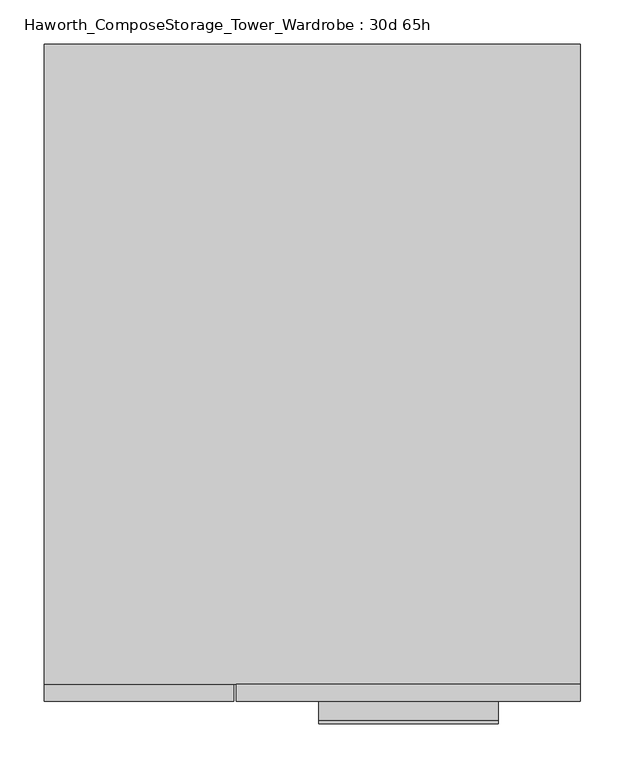
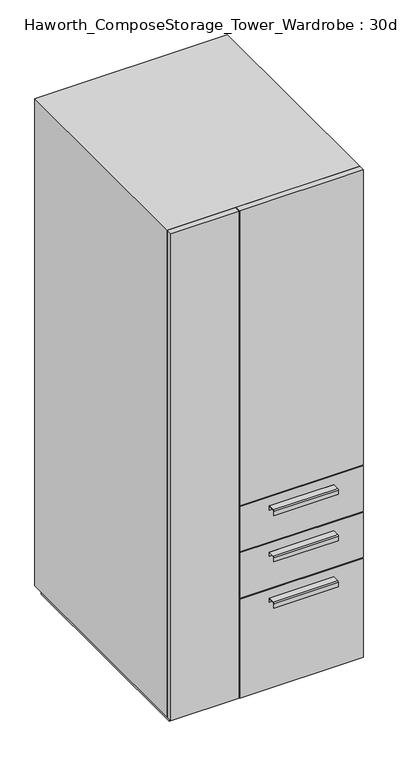
"""IFC4 building model written with IfcOpenShell, lengths in millimetres: furniture geometry, Haworth_ComposeStorage_Tower_Wardrobe : 30d 65h."""

from ifc_helpers import new_model, si_unit, point, frame, frame_2d, origin, origin_with_axes, place, context, project, spatial, polyline, circle_curve, trimmed, segment, composite_curve, outline, extrude, faceted_brep, source, transform, mapped, element, save


def haworth_composestorage_tower_wardrobe_30d_65h_6a6cc018(model_context):
    return source(origin(), model_context, "Body", "SolidModel", [
        extrude(outline(composite_curve([segment(polyline([(-403.2250242, 633.9919215), (-381.0, 633.9919215), (-381.0, 620.5299525), (-381.7937742, 620.5299525), (-381.7937742, 633.1982199), (-403.2250242, 633.1982199)]), True, "CONTINUOUS"), segment(trimmed(circle_curve(frame_2d((-403.2250242, 630.8142808)), 2.3839392), [point((-403.2250242, 633.1982199))], [point((-405.6089634, 630.8142808))], True, "CARTESIAN"), True, "CONTINUOUS"), segment(polyline([(-405.6089634, 630.8142808), (-405.6089634, 616.2119021), (-406.3999758, 616.2119021), (-406.3999758, 630.8169699)]), True, "CONTINUOUS"), segment(trimmed(circle_curve(frame_2d((-403.2250242, 630.8169699)), 3.1749516), [point((-406.3999758, 630.8169699))], [point((-403.2250242, 633.9919215))], False, "CARTESIAN"), True, "CONTINUOUS")], self_intersect=False)), frame((7.1576406, 0.0, 0.0), z_axis=(1.0, 0.0, 0.0), x_axis=(0.0, 1.0, 0.0)), (0.0, 0.0, 1.0), 203.2),
        extrude(outline(polyline([(303.2263906, -361.95), (303.2263906, -381.0), (-85.7111094, -381.0), (-85.7111094, -361.95), (303.2263906, -361.95)])), frame((0.0, 0.0, 512.7625), z_axis=(0.0, 0.0, 1.0), x_axis=(1.0, 0.0, 0.0)), (0.0, 0.0, 1.0), 150.8125),
        extrude(outline(composite_curve([segment(polyline([(-403.2250242, 480.0044215), (-381.0, 480.0044215), (-381.0, 466.5424525), (-381.7937742, 466.5424525), (-381.7937742, 479.2107199), (-403.2250242, 479.2107199)]), True, "CONTINUOUS"), segment(trimmed(circle_curve(frame_2d((-403.2250242, 476.8267808)), 2.3839392), [point((-403.2250242, 479.2107199))], [point((-405.6089634, 476.8267808))], True, "CARTESIAN"), True, "CONTINUOUS"), segment(polyline([(-405.6089634, 476.8267808), (-405.6089634, 462.2244021), (-406.3999758, 462.2244021), (-406.3999758, 476.8294699)]), True, "CONTINUOUS"), segment(trimmed(circle_curve(frame_2d((-403.2250242, 476.8294699)), 3.1749516), [point((-406.3999758, 476.8294699))], [point((-403.2250242, 480.0044215))], False, "CARTESIAN"), True, "CONTINUOUS")], self_intersect=False)), frame((7.1576406, 0.0, 0.0), z_axis=(1.0, 0.0, 0.0), x_axis=(0.0, 1.0, 0.0)), (0.0, 0.0, 1.0), 203.2),
        extrude(outline(polyline([(303.2263906, -361.95), (303.2263906, -381.0), (-85.7111094, -381.0), (-85.7111094, -361.95), (303.2263906, -361.95)])), frame((0.0, 0.0, 358.775), z_axis=(0.0, 0.0, 1.0), x_axis=(1.0, 0.0, 0.0)), (0.0, 0.0, 1.0), 150.8125),
        extrude(outline(composite_curve([segment(polyline([(-403.2250242, 326.0169215), (-381.0, 326.0169215), (-381.0, 312.5549525), (-381.7937742, 312.5549525), (-381.7937742, 325.2232199), (-403.2250242, 325.2232199)]), True, "CONTINUOUS"), segment(trimmed(circle_curve(frame_2d((-403.2250242, 322.8392808)), 2.3839392), [point((-403.2250242, 325.2232199))], [point((-405.6089634, 322.8392808))], True, "CARTESIAN"), True, "CONTINUOUS"), segment(polyline([(-405.6089634, 322.8392808), (-405.6089634, 308.2369021), (-406.3999758, 308.2369021), (-406.3999758, 322.8419699)]), True, "CONTINUOUS"), segment(trimmed(circle_curve(frame_2d((-403.2250242, 322.8419699)), 3.1749516), [point((-406.3999758, 322.8419699))], [point((-403.2250242, 326.0169215))], False, "CARTESIAN"), True, "CONTINUOUS")], self_intersect=False)), frame((7.1576406, 0.0, 0.0), z_axis=(1.0, 0.0, 0.0), x_axis=(0.0, 1.0, 0.0)), (0.0, 0.0, 1.0), 203.2),
        extrude(outline(polyline([(303.2263906, -361.95), (303.2263906, -381.0), (-85.7111094, -381.0), (-85.7111094, -361.95), (303.2263906, -361.95)])), frame((0.0, 0.0, 25.4), z_axis=(0.0, 0.0, 1.0), x_axis=(1.0, 0.0, 0.0)), (0.0, 0.0, 1.0), 330.2),
        extrude(outline(polyline([(303.2263906, -361.95), (303.2263906, -381.0), (-85.7111094, -381.0), (-85.7111094, -361.95), (303.2263906, -361.95)])), frame((0.0, 0.0, 666.75), z_axis=(0.0, 0.0, 1.0), x_axis=(1.0, 0.0, 0.0)), (0.0, 0.0, 1.0), 984.25),
        faceted_brep([(-303.1986094, -361.95, 25.4), (303.2263906, -361.95, 25.4), (303.2263906, -361.95, 1651.0), (-303.1986094, -361.95, 1651.0), (-284.1486094, -361.95, 44.45), (-284.1486094, -361.95, 1631.95), (284.1694453, -361.95, 1631.95), (284.1694453, -361.95, 44.45), (-303.1986094, 361.95, 25.4), (-303.1986094, 361.95, 1651.0), (303.2263906, 361.95, 1651.0), (303.2263906, 361.95, 25.4), (-284.1486094, 342.9, 44.45), (-284.1486094, 342.9, 1631.95), (284.1694453, 342.9, 1631.95), (284.1694453, 342.9, 44.45)], [[[0, 1, 2, 3], [4, 5, 6, 7]], [[8, 9, 10, 11]], [[1, 0, 8, 11]], [[2, 1, 11, 10]], [[3, 2, 10, 9]], [[0, 3, 9, 8]], [[5, 4, 12, 13]], [[6, 5, 13, 14]], [[7, 6, 14, 15]], [[4, 7, 15, 12]], [[13, 12, 15, 14]]]),
        extrude(outline(polyline([(290.5263906, -349.25), (-290.4986094, -349.25), (-290.4986094, 349.25), (290.5263906, 349.25), (290.5263906, -349.25)])), origin_with_axes(), (0.0, 0.0, 1.0), 25.4),
        extrude(outline(polyline([(-303.1986094, -381.0), (-303.1986094, -361.95), (-88.8861094, -361.95), (-88.8861094, -381.0), (-303.1986094, -381.0)])), frame((0.0, 0.0, 25.4), z_axis=(0.0, 0.0, 1.0), x_axis=(1.0, 0.0, 0.0)), (0.0, 0.0, 1.0), 1625.6),
    ])


if __name__ == "__main__":
    model = new_model("IFC4")
    model_context = context("Model", 3, world=origin())
    ifc_project = project(units=[si_unit("LENGTHUNIT", "METRE", prefix="MILLI")], contexts=[model_context])
    site = spatial("IfcSite", under=ifc_project)
    building = spatial("IfcBuilding", under=site)
    placement = place(None, origin())
    haworth_composestorage_tower_wardrobe_30d_65h_shape = haworth_composestorage_tower_wardrobe_30d_65h_6a6cc018(model_context)
    element("IfcFurniture", 1, ObjectType="Haworth_ComposeStorage_Tower_Wardrobe : 30d 65h", at=placement, inside=building, context=model_context, shape_type="MappedRepresentation", body=[
        mapped(haworth_composestorage_tower_wardrobe_30d_65h_shape, transform((0.0, 0.0, 0.0), x_axis=(1.0, 0.0, 0.0), y_axis=(0.0, 1.0, 0.0), z_axis=(0.0, 0.0, 1.0))),
    ])
    save(model, "model.ifc")
